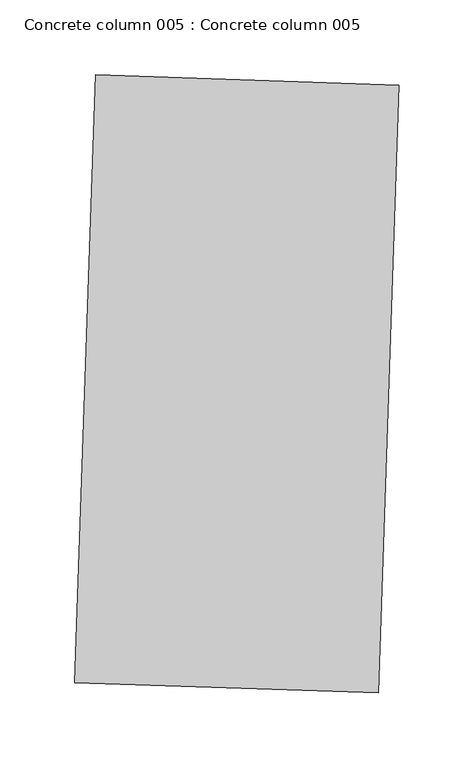
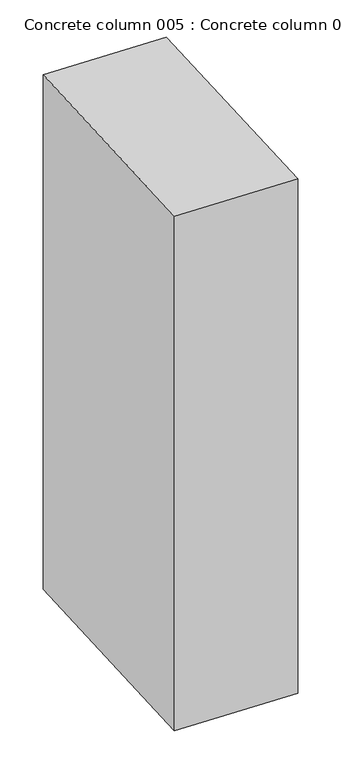
"""IFC4 building model written with IfcOpenShell, lengths in millimetres: proxy geometry, Concrete column 005 : Concrete column 005."""

from ifc_helpers import new_model, si_unit, frame, origin, place, context, project, spatial, polyline, outline, extrude, source, transform, mapped, element, save


def concrete_column_005_concrete_column_005_9e803635(model_context):
    return source(origin(), model_context, "Body", "SweptSolid", [
        extrude(outline(polyline([(34694.3144669, -15674.5631003), (34708.2171196, -15268.3117818), (34911.2982369, -15275.2615839), (34897.3986328, -15681.4238187), (34694.3144669, -15674.5631003)])), frame((0.0, 0.0, 1597.975708), z_axis=(0.0, 0.0, 1.0), x_axis=(1.0, 0.0, 0.0)), (0.0, 0.0, 1.0), 914.4),
    ])


if __name__ == "__main__":
    model = new_model("IFC4")
    model_context = context("Model", 3, world=origin())
    ifc_project = project(units=[si_unit("LENGTHUNIT", "METRE", prefix="MILLI")], contexts=[model_context])
    site = spatial("IfcSite", under=ifc_project)
    building = spatial("IfcBuilding", under=site)
    placement = place(None, origin())
    concrete_column_005_concrete_column_005_shape = concrete_column_005_concrete_column_005_9e803635(model_context)
    element("IfcBuildingElementProxy", 1, Name="Concrete column 005 : Concrete column 005", ObjectType="Concrete column 005 : Concrete column 005", at=placement, inside=building, context=model_context, shape_type="MappedRepresentation", body=[
        mapped(concrete_column_005_concrete_column_005_shape, transform((0.0, 0.0, 0.0), x_axis=(1.0, 0.0, 0.0), y_axis=(0.0, 1.0, 0.0), z_axis=(0.0, 0.0, 1.0))),
    ])
    save(model, "model.ifc")
